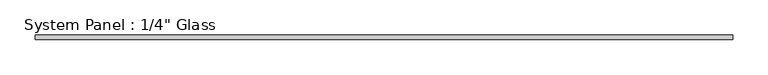
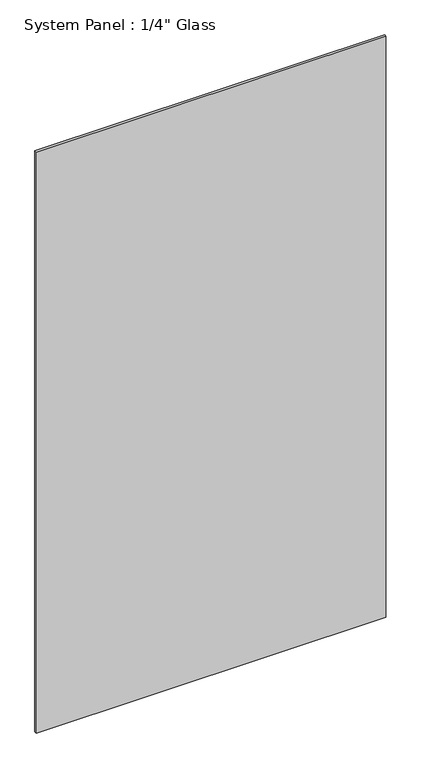
"""IFC4 building model written with IfcOpenShell, lengths in millimetres: plate geometry."""

import ifcopenshell
import ifcopenshell.guid

model = None  # the IFC model being written
_history = None  # IfcOwnerHistory: only IFC2X3 demands one
_inside = {}  # id of a spatial element -> (the spatial element, [elements in it])
_under = {}  # id of a project, library or spatial element -> (it, [spatial elements below it])
_declared = {}  # id of a project -> (the project, [libraries it declares])
_typed = {}  # id of a type object -> (the type object, [elements of that type])
_made_of = {}  # id of a material, layer set ... -> (it, [elements and type objects made of it])


def new_model(schema):
    """Start an empty IFC model of exactly this schema.

    Asked for "IFC4X3", IfcOpenShell would pick the latest addendum, in which some entities
    have other attributes; the version numbers below select the first issue.
    IFC2X3 requires an IfcOwnerHistory on every rooted entity: one is made here for all.
    """
    global model, _history
    if schema == "IFC4X3":
        model = ifcopenshell.file(schema_version=(4, 3, 0, 0))
    else:
        model = ifcopenshell.file(schema=schema)
    _inside.clear()
    _under.clear()
    _declared.clear()
    _typed.clear()
    _made_of.clear()
    _history = None
    if model.schema == "IFC2X3":
        org = make("IfcOrganization", Name="unknown")
        user = make(
            "IfcPersonAndOrganization",
            ThePerson=make("IfcPerson", FamilyName="unknown"),
            TheOrganization=org,
        )
        app = make(
            "IfcApplication",
            ApplicationDeveloper=org,
            Version="unknown",
            ApplicationFullName="unknown",
            ApplicationIdentifier="unknown",
        )
        _history = make(
            "IfcOwnerHistory",
            OwningUser=user,
            OwningApplication=app,
            ChangeAction="ADDED",
            CreationDate=0,
        )
    return model


def make(cls, **values):
    """One entity of the class cls with the attributes given. An attribute that is None is left unset."""
    return model.create_entity(
        cls, **{name: value for name, value in values.items() if value is not None}
    )


def rooted(cls, **values):
    """An entity with a GlobalId (a new one), such as an element, a storey or a relation."""
    return make(cls, GlobalId=ifcopenshell.guid.new(), OwnerHistory=_history, **values)


def si_unit(unit_type, name, prefix=None):
    """IfcSIUnit, for example si_unit("LENGTHUNIT", "METRE", prefix="MILLI")."""
    return make("IfcSIUnit", UnitType=unit_type, Prefix=prefix, Name=name)


def assignment(units):
    """IfcUnitAssignment: the units of a project."""
    return None if units is None else make("IfcUnitAssignment", Units=units)


def point(xyz):
    """IfcCartesianPoint."""
    return None if xyz is None else make("IfcCartesianPoint", Coordinates=xyz)


def direction(xyz):
    """IfcDirection."""
    return None if xyz is None else make("IfcDirection", DirectionRatios=xyz)


def frame(location, z_axis=None, x_axis=None):
    """IfcAxis2Placement3D, a coordinate frame: its origin and axes. An axis left out is left unset."""
    return make(
        "IfcAxis2Placement3D",
        Location=point(location),
        Axis=direction(z_axis),
        RefDirection=direction(x_axis),
    )


def origin():
    """The frame at (0, 0, 0) with its axes left unset."""
    return frame((0.0, 0.0, 0.0))


def origin_with_axes():
    """The frame at (0, 0, 0) with the z axis (0, 0, 1) and the x axis (1, 0, 0) written out."""
    return frame((0.0, 0.0, 0.0), z_axis=(0.0, 0.0, 1.0), x_axis=(1.0, 0.0, 0.0))


def place(relative_to, where):
    """IfcLocalPlacement: puts the frame where relative to a parent placement (None: the world)."""
    return make(
        "IfcLocalPlacement", PlacementRelTo=relative_to, RelativePlacement=where
    )


def context(
    kind, dimensions, precision=None, world=None, true_north=None, identifier=None
):
    """IfcGeometricRepresentationContext, for example the 3D "Model" context."""
    return make(
        "IfcGeometricRepresentationContext",
        ContextIdentifier=identifier,
        ContextType=kind,
        CoordinateSpaceDimension=dimensions,
        Precision=precision,
        WorldCoordinateSystem=world,
        TrueNorth=true_north,
    )


def project(units=None, contexts=None):
    """IfcProject with its units and contexts."""
    return rooted(
        "IfcProject",
        Name="project",
        RepresentationContexts=contexts,
        UnitsInContext=assignment(units),
    )


def spatial(cls, under=None, at=None, **own):
    """A site, building, storey or space (cls), placed at a placement, below another one or the project."""
    s = rooted(cls, ObjectPlacement=at, **own)
    if under is not None:
        _under.setdefault(under.id(), (under, []))[1].append(s)
    return s


def polyline(points):
    """IfcPolyline through the points."""
    return make("IfcPolyline", Points=[point(p) for p in points])


def outline(outer, holes=None, kind="AREA"):
    """IfcArbitraryClosedProfileDef: a profile drawn as a closed curve; with holes, ...WithVoids."""
    if holes is None:
        return make("IfcArbitraryClosedProfileDef", ProfileType=kind, OuterCurve=outer)
    return make(
        "IfcArbitraryProfileDefWithVoids",
        ProfileType=kind,
        OuterCurve=outer,
        InnerCurves=holes,
    )


def extrude(swept, where, along, depth):
    """IfcExtrudedAreaSolid: the profile swept, set in the frame where, extruded along a direction by depth."""
    return make(
        "IfcExtrudedAreaSolid",
        SweptArea=swept,
        Position=where,
        ExtrudedDirection=direction(along),
        Depth=depth,
    )


def shape(context_of_items, identifier, shape_type, items):
    """IfcShapeRepresentation: the items that make up one representation, for example the "Body"."""
    return make(
        "IfcShapeRepresentation",
        ContextOfItems=context_of_items,
        RepresentationIdentifier=identifier,
        RepresentationType=shape_type,
        Items=items,
    )


def source(mapping_origin, context_of_items, identifier, shape_type, items):
    """IfcRepresentationMap: a shape defined once, which mapped items show again and again."""
    return make(
        "IfcRepresentationMap",
        MappingOrigin=mapping_origin,
        MappedRepresentation=shape(context_of_items, identifier, shape_type, items),
    )


def transform(
    local_origin,
    x_axis=None,
    y_axis=None,
    z_axis=None,
    scale=None,
    scale2=None,
    scale3=None,
    uniform=True,
):
    """IfcCartesianTransformationOperator3D, or its non-uniform kind. x_axis, y_axis, z_axis: its Axis1, 2, 3."""
    if uniform:
        return make(
            "IfcCartesianTransformationOperator3D",
            Axis1=direction(x_axis),
            Axis2=direction(y_axis),
            LocalOrigin=point(local_origin),
            Scale=scale,
            Axis3=direction(z_axis),
        )
    return make(
        "IfcCartesianTransformationOperator3DnonUniform",
        Axis1=direction(x_axis),
        Axis2=direction(y_axis),
        LocalOrigin=point(local_origin),
        Scale=scale,
        Axis3=direction(z_axis),
        Scale2=scale2,
        Scale3=scale3,
    )


def mapped(mapping_source, mapping_target):
    """IfcMappedItem: shows the shape of a source again, moved by a transform."""
    return make(
        "IfcMappedItem", MappingSource=mapping_source, MappingTarget=mapping_target
    )


def made_of(thing, what):
    """Note that an element or type object is made of a material, layer set ...; save() writes the relation."""
    if what is not None:
        _made_of.setdefault(what.id(), (what, []))[1].append(thing)
    return thing


def element(
    cls,
    number,
    at=None,
    inside=None,
    cuts=None,
    type_object=None,
    material=None,
    context=None,
    identifier="Body",
    shape_type=None,
    held_by="IfcProductDefinitionShape",
    body=None,
    shapes=None,
    **own,
):
    """One element of the class cls, such as IfcWall. Its Tag is "e" and its number.

    at: its placement. inside: the storey or other place that contains it. cuts: it is an
    opening in that element (IfcRelVoidsElement). A single representation is given by context,
    identifier, shape_type and body (its items); several are given by shapes. held_by: the class
    of the entity that holds the representations. save() writes the other relations.
    """
    e = rooted(cls, Tag="e%d" % number, ObjectPlacement=at, **own)
    if body is not None:
        shapes = [shape(context, identifier, shape_type, body)]
    if shapes is not None:
        e.Representation = make(held_by, Representations=shapes)
    if inside is not None:
        _inside.setdefault(inside.id(), (inside, []))[1].append(e)
    if cuts is not None:
        rooted(
            "IfcRelVoidsElement", RelatingBuildingElement=cuts, RelatedOpeningElement=e
        )
    if type_object is not None:
        _typed.setdefault(type_object.id(), (type_object, []))[1].append(e)
    return made_of(e, material)


def aggregate(whole, parts):
    """IfcRelAggregates: a whole, such as a stair, and the parts it consists of."""
    return rooted("IfcRelAggregates", RelatingObject=whole, RelatedObjects=parts)


def save(model, path):
    """Write the relations noted so far, then the file.

    IfcRelAggregates (storeys below a building ...), IfcRelContainedInSpatialStructure (elements
    in a storey), IfcRelDefinesByType, IfcRelAssociatesMaterial and IfcRelDeclares: one each for
    every whole, place, type object, material and project.
    """
    for whole, parts in _under.values():
        aggregate(whole, parts)
    for where, things in _inside.values():
        rooted(
            "IfcRelContainedInSpatialStructure",
            RelatedElements=things,
            RelatingStructure=where,
        )
    for kind, things in _typed.values():
        rooted("IfcRelDefinesByType", RelatedObjects=things, RelatingType=kind)
    for what, things in _made_of.values():
        rooted("IfcRelAssociatesMaterial", RelatedObjects=things, RelatingMaterial=what)
    for by, libraries in _declared.values():
        rooted("IfcRelDeclares", RelatingContext=by, RelatedDefinitions=libraries)
    model.write(path)


def plate_f958e900(model_context):
    return source(origin(), model_context, "Body", "SweptSolid", [
        extrude(outline(polyline([(495.3, -3.175), (-495.3, -3.175), (-495.3, 3.175), (495.3, 3.175), (495.3, -3.175)])), origin_with_axes(), (0.0, 0.0, 1.0), 1739.9),
    ])


if __name__ == "__main__":
    model = new_model("IFC4")
    model_context = context("Model", 3, world=origin())
    ifc_project = project(units=[si_unit("LENGTHUNIT", "METRE", prefix="MILLI")], contexts=[model_context])
    site = spatial("IfcSite", under=ifc_project)
    building = spatial("IfcBuilding", under=site)
    placement = place(None, origin())
    plate_shape = plate_f958e900(model_context)
    element("IfcPlate", 1, ObjectType="System Panel : 1/4\" Glass", at=placement, inside=building, context=model_context, shape_type="MappedRepresentation", body=[
        mapped(plate_shape, transform((0.0, 0.0, 0.0), x_axis=(1.0, 0.0, 0.0), y_axis=(0.0, 1.0, 0.0), z_axis=(0.0, 0.0, 1.0))),
    ])
    save(model, "model.ifc")
